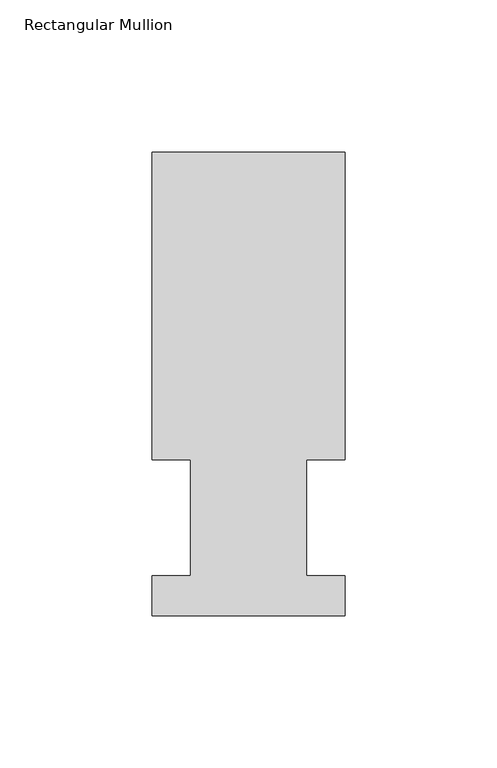
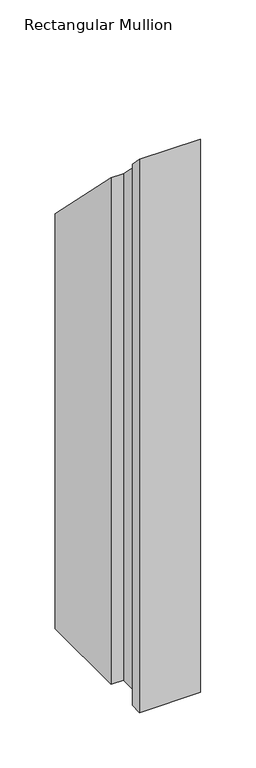
"""IFC4 building model written with IfcOpenShell, lengths in millimetres: member geometry, Rectangular Mullion."""

import ifcopenshell
import ifcopenshell.guid

model = None  # the IFC model being written
_history = None  # IfcOwnerHistory: only IFC2X3 demands one
_inside = {}  # id of a spatial element -> (the spatial element, [elements in it])
_under = {}  # id of a project, library or spatial element -> (it, [spatial elements below it])
_declared = {}  # id of a project -> (the project, [libraries it declares])
_typed = {}  # id of a type object -> (the type object, [elements of that type])
_made_of = {}  # id of a material, layer set ... -> (it, [elements and type objects made of it])


def new_model(schema):
    """Start an empty IFC model of exactly this schema.

    Asked for "IFC4X3", IfcOpenShell would pick the latest addendum, in which some entities
    have other attributes; the version numbers below select the first issue.
    IFC2X3 requires an IfcOwnerHistory on every rooted entity: one is made here for all.
    """
    global model, _history
    if schema == "IFC4X3":
        model = ifcopenshell.file(schema_version=(4, 3, 0, 0))
    else:
        model = ifcopenshell.file(schema=schema)
    _inside.clear()
    _under.clear()
    _declared.clear()
    _typed.clear()
    _made_of.clear()
    _history = None
    if model.schema == "IFC2X3":
        org = make("IfcOrganization", Name="unknown")
        user = make(
            "IfcPersonAndOrganization",
            ThePerson=make("IfcPerson", FamilyName="unknown"),
            TheOrganization=org,
        )
        app = make(
            "IfcApplication",
            ApplicationDeveloper=org,
            Version="unknown",
            ApplicationFullName="unknown",
            ApplicationIdentifier="unknown",
        )
        _history = make(
            "IfcOwnerHistory",
            OwningUser=user,
            OwningApplication=app,
            ChangeAction="ADDED",
            CreationDate=0,
        )
    return model


def make(cls, **values):
    """One entity of the class cls with the attributes given. An attribute that is None is left unset."""
    return model.create_entity(
        cls, **{name: value for name, value in values.items() if value is not None}
    )


def rooted(cls, **values):
    """An entity with a GlobalId (a new one), such as an element, a storey or a relation."""
    return make(cls, GlobalId=ifcopenshell.guid.new(), OwnerHistory=_history, **values)


def si_unit(unit_type, name, prefix=None):
    """IfcSIUnit, for example si_unit("LENGTHUNIT", "METRE", prefix="MILLI")."""
    return make("IfcSIUnit", UnitType=unit_type, Prefix=prefix, Name=name)


def assignment(units):
    """IfcUnitAssignment: the units of a project."""
    return None if units is None else make("IfcUnitAssignment", Units=units)


def point(xyz):
    """IfcCartesianPoint."""
    return None if xyz is None else make("IfcCartesianPoint", Coordinates=xyz)


def direction(xyz):
    """IfcDirection."""
    return None if xyz is None else make("IfcDirection", DirectionRatios=xyz)


def frame(location, z_axis=None, x_axis=None):
    """IfcAxis2Placement3D, a coordinate frame: its origin and axes. An axis left out is left unset."""
    return make(
        "IfcAxis2Placement3D",
        Location=point(location),
        Axis=direction(z_axis),
        RefDirection=direction(x_axis),
    )


def origin():
    """The frame at (0, 0, 0) with its axes left unset."""
    return frame((0.0, 0.0, 0.0))


def place(relative_to, where):
    """IfcLocalPlacement: puts the frame where relative to a parent placement (None: the world)."""
    return make(
        "IfcLocalPlacement", PlacementRelTo=relative_to, RelativePlacement=where
    )


def context(
    kind, dimensions, precision=None, world=None, true_north=None, identifier=None
):
    """IfcGeometricRepresentationContext, for example the 3D "Model" context."""
    return make(
        "IfcGeometricRepresentationContext",
        ContextIdentifier=identifier,
        ContextType=kind,
        CoordinateSpaceDimension=dimensions,
        Precision=precision,
        WorldCoordinateSystem=world,
        TrueNorth=true_north,
    )


def project(units=None, contexts=None):
    """IfcProject with its units and contexts."""
    return rooted(
        "IfcProject",
        Name="project",
        RepresentationContexts=contexts,
        UnitsInContext=assignment(units),
    )


def spatial(cls, under=None, at=None, **own):
    """A site, building, storey or space (cls), placed at a placement, below another one or the project."""
    s = rooted(cls, ObjectPlacement=at, **own)
    if under is not None:
        _under.setdefault(under.id(), (under, []))[1].append(s)
    return s


def faces_of(points, faces, orient=None, outer=None):
    """IfcFace entities. A face is a list of loops; a loop is a list of indices into points, from 0.

    orient and outer hold one flag for each loop. By default every Orientation is true, the
    first loop of a face is its IfcFaceOuterBound and the others are IfcFaceBound.
    """
    made = []
    for i, loops in enumerate(faces):
        bounds = []
        for j, loop in enumerate(loops):
            is_outer = j == 0 if outer is None else outer[i][j]
            bounds.append(
                make(
                    "IfcFaceOuterBound" if is_outer else "IfcFaceBound",
                    Bound=make("IfcPolyLoop", Polygon=[points[k] for k in loop]),
                    Orientation=True if orient is None else orient[i][j],
                )
            )
        made.append(make("IfcFace", Bounds=bounds))
    return made


def faceted_brep(points, faces, orient=None, outer=None, voids=None):
    """IfcFacetedBrep: a solid bounded by flat faces; with voids (closed shells), ...WithVoids."""
    shared = [point(p) for p in points]
    hull = make("IfcClosedShell", CfsFaces=faces_of(shared, faces, orient, outer))
    if voids is None:
        return make("IfcFacetedBrep", Outer=hull)
    return make(
        "IfcFacetedBrepWithVoids",
        Outer=hull,
        Voids=[
            make(cls, CfsFaces=faces_of(shared, fs, o, b)) for cls, fs, o, b in voids
        ],
    )


def shape(context_of_items, identifier, shape_type, items):
    """IfcShapeRepresentation: the items that make up one representation, for example the "Body"."""
    return make(
        "IfcShapeRepresentation",
        ContextOfItems=context_of_items,
        RepresentationIdentifier=identifier,
        RepresentationType=shape_type,
        Items=items,
    )


def source(mapping_origin, context_of_items, identifier, shape_type, items):
    """IfcRepresentationMap: a shape defined once, which mapped items show again and again."""
    return make(
        "IfcRepresentationMap",
        MappingOrigin=mapping_origin,
        MappedRepresentation=shape(context_of_items, identifier, shape_type, items),
    )


def transform(
    local_origin,
    x_axis=None,
    y_axis=None,
    z_axis=None,
    scale=None,
    scale2=None,
    scale3=None,
    uniform=True,
):
    """IfcCartesianTransformationOperator3D, or its non-uniform kind. x_axis, y_axis, z_axis: its Axis1, 2, 3."""
    if uniform:
        return make(
            "IfcCartesianTransformationOperator3D",
            Axis1=direction(x_axis),
            Axis2=direction(y_axis),
            LocalOrigin=point(local_origin),
            Scale=scale,
            Axis3=direction(z_axis),
        )
    return make(
        "IfcCartesianTransformationOperator3DnonUniform",
        Axis1=direction(x_axis),
        Axis2=direction(y_axis),
        LocalOrigin=point(local_origin),
        Scale=scale,
        Axis3=direction(z_axis),
        Scale2=scale2,
        Scale3=scale3,
    )


def mapped(mapping_source, mapping_target):
    """IfcMappedItem: shows the shape of a source again, moved by a transform."""
    return make(
        "IfcMappedItem", MappingSource=mapping_source, MappingTarget=mapping_target
    )


def made_of(thing, what):
    """Note that an element or type object is made of a material, layer set ...; save() writes the relation."""
    if what is not None:
        _made_of.setdefault(what.id(), (what, []))[1].append(thing)
    return thing


def element(
    cls,
    number,
    at=None,
    inside=None,
    cuts=None,
    type_object=None,
    material=None,
    context=None,
    identifier="Body",
    shape_type=None,
    held_by="IfcProductDefinitionShape",
    body=None,
    shapes=None,
    **own,
):
    """One element of the class cls, such as IfcWall. Its Tag is "e" and its number.

    at: its placement. inside: the storey or other place that contains it. cuts: it is an
    opening in that element (IfcRelVoidsElement). A single representation is given by context,
    identifier, shape_type and body (its items); several are given by shapes. held_by: the class
    of the entity that holds the representations. save() writes the other relations.
    """
    e = rooted(cls, Tag="e%d" % number, ObjectPlacement=at, **own)
    if body is not None:
        shapes = [shape(context, identifier, shape_type, body)]
    if shapes is not None:
        e.Representation = make(held_by, Representations=shapes)
    if inside is not None:
        _inside.setdefault(inside.id(), (inside, []))[1].append(e)
    if cuts is not None:
        rooted(
            "IfcRelVoidsElement", RelatingBuildingElement=cuts, RelatedOpeningElement=e
        )
    if type_object is not None:
        _typed.setdefault(type_object.id(), (type_object, []))[1].append(e)
    return made_of(e, material)


def aggregate(whole, parts):
    """IfcRelAggregates: a whole, such as a stair, and the parts it consists of."""
    return rooted("IfcRelAggregates", RelatingObject=whole, RelatedObjects=parts)


def save(model, path):
    """Write the relations noted so far, then the file.

    IfcRelAggregates (storeys below a building ...), IfcRelContainedInSpatialStructure (elements
    in a storey), IfcRelDefinesByType, IfcRelAssociatesMaterial and IfcRelDeclares: one each for
    every whole, place, type object, material and project.
    """
    for whole, parts in _under.values():
        aggregate(whole, parts)
    for where, things in _inside.values():
        rooted(
            "IfcRelContainedInSpatialStructure",
            RelatedElements=things,
            RelatingStructure=where,
        )
    for kind, things in _typed.values():
        rooted("IfcRelDefinesByType", RelatedObjects=things, RelatingType=kind)
    for what, things in _made_of.values():
        rooted("IfcRelAssociatesMaterial", RelatedObjects=things, RelatingMaterial=what)
    for by, libraries in _declared.values():
        rooted("IfcRelDeclares", RelatingContext=by, RelatedDefinitions=libraries)
    model.write(path)


def rectangular_mullion_867107a5(model_context):
    return source(origin(), model_context, "Body", "Brep", [
        faceted_brep([(-63.5, 152.4896937, -609.6023813), (0.0, 152.4896937, -609.6023813), (0.0, 51.2960938, -609.6023813), (-12.6873, 51.2960938, -609.6023813), (-12.6873, 13.1960938, -609.6023813), (0.0, 13.1960938, -609.6023813), (0.0, 0.0134938, -609.6023813), (-63.5, 0.0134938, -609.6023813), (-63.5, 13.1960938, -609.6023813), (-50.8, 13.1960938, -609.6023813), (-50.8, 51.2960937, -609.6023813), (-63.5, 51.2960937, -609.6023813), (-63.5, 51.2960937, -51.2960938), (-63.5, 152.4896937, -152.4896937), (-50.8, 51.2960937, -51.2960938), (-50.8, 13.1960938, -13.1960938), (-63.5, 13.1960938, -13.1960938), (-63.5, 0.0134938, -0.0134938), (0.0, 0.0134938, -0.0134938), (0.0, 13.1960938, -13.1960938), (-12.6873, 13.1960938, -13.1960938), (-12.6873, 51.2960938, -51.2960938), (0.0, 51.2960938, -51.2960938), (0.0, 152.4896937, -152.4896937)], [[[0, 1, 2, 3, 4, 5, 6, 7, 8, 9, 10, 11]], [[12, 13, 0, 11]], [[14, 12, 11, 10]], [[15, 14, 10, 9]], [[16, 15, 9, 8]], [[17, 16, 8, 7]], [[18, 17, 7, 6]], [[19, 18, 6, 5]], [[20, 19, 5, 4]], [[21, 20, 4, 3]], [[22, 21, 3, 2]], [[23, 22, 2, 1]], [[13, 23, 1, 0]], [[13, 12, 14, 15, 16, 17, 18, 19, 20, 21, 22, 23]]]),
    ])


if __name__ == "__main__":
    model = new_model("IFC4")
    model_context = context("Model", 3, world=origin())
    ifc_project = project(units=[si_unit("LENGTHUNIT", "METRE", prefix="MILLI")], contexts=[model_context])
    site = spatial("IfcSite", under=ifc_project)
    building = spatial("IfcBuilding", under=site)
    placement = place(None, origin())
    rectangular_mullion_shape = rectangular_mullion_867107a5(model_context)
    element("IfcMember", 1, ObjectType="Rectangular Mullion", at=placement, inside=building, context=model_context, shape_type="MappedRepresentation", body=[
        mapped(rectangular_mullion_shape, transform((0.0, 0.0, 0.0), x_axis=(1.0, 0.0, 0.0), y_axis=(0.0, 1.0, 0.0), z_axis=(0.0, 0.0, 1.0))),
    ])
    save(model, "model.ifc")
